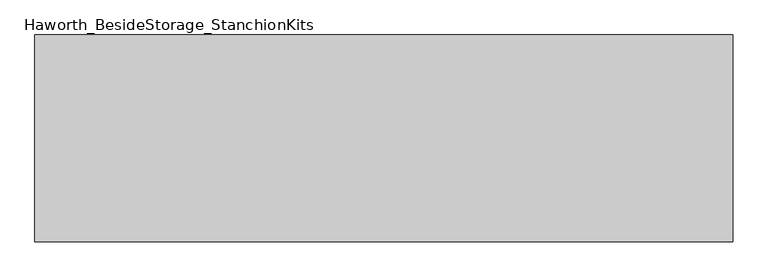
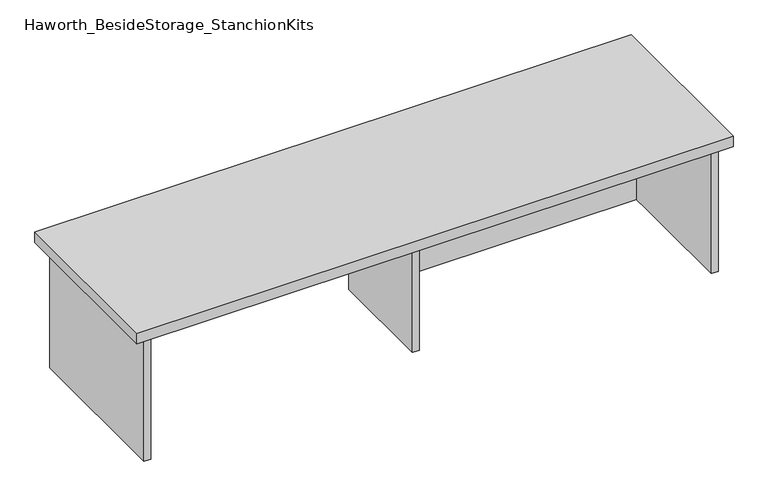
"""IFC4 building model written with IfcOpenShell, lengths in millimetres: furniture geometry, Haworth_BesideStorage_StanchionKits."""

from ifc_helpers import new_model, si_unit, frame, origin, place, context, project, spatial, polyline, outline, extrude, source, transform, mapped, element, save


def haworth_besidestorage_stanchionkits_dbb32cba(model_context):
    return source(origin(), model_context, "Body", "SweptSolid", [
        extrude(outline(polyline([(847.725, 0.0), (847.725, -406.4), (-523.875, -406.4), (-523.875, 0.0), (847.725, 0.0)])), frame((0.0, 0.0, 736.6), z_axis=(0.0, 0.0, 1.0), x_axis=(1.0, 0.0, 0.0)), (0.0, 0.0, 1.0), 25.4),
        extrude(outline(polyline([(169.8625, -76.2), (806.45, -76.2), (806.45, -92.075), (169.8625, -92.075), (169.8625, -76.2)])), frame((0.0, 0.0, 431.8), z_axis=(0.0, 0.0, 1.0), x_axis=(1.0, 0.0, 0.0)), (0.0, 0.0, 1.0), 304.8),
        extrude(outline(polyline([(169.8625, -330.2), (153.9875, -330.2), (153.9875, -76.2), (169.8625, -76.2), (169.8625, -330.2)])), frame((0.0, 0.0, 431.8), z_axis=(0.0, 0.0, 1.0), x_axis=(1.0, 0.0, 0.0)), (0.0, 0.0, 1.0), 304.8),
        extrude(outline(polyline([(822.325, -390.525), (806.45, -390.525), (806.45, -15.875), (822.325, -15.875), (822.325, -390.525)])), frame((0.0, 0.0, 431.8), z_axis=(0.0, 0.0, 1.0), x_axis=(1.0, 0.0, 0.0)), (0.0, 0.0, 1.0), 304.8),
        extrude(outline(polyline([(-482.6, -390.525), (-498.475, -390.525), (-498.475, -15.875), (-482.6, -15.875), (-482.6, -390.525)])), frame((0.0, 0.0, 431.8), z_axis=(0.0, 0.0, 1.0), x_axis=(1.0, 0.0, 0.0)), (0.0, 0.0, 1.0), 304.8),
    ])


if __name__ == "__main__":
    model = new_model("IFC4")
    model_context = context("Model", 3, world=origin())
    ifc_project = project(units=[si_unit("LENGTHUNIT", "METRE", prefix="MILLI")], contexts=[model_context])
    site = spatial("IfcSite", under=ifc_project)
    building = spatial("IfcBuilding", under=site)
    placement = place(None, origin())
    haworth_besidestorage_stanchionkits_shape = haworth_besidestorage_stanchionkits_dbb32cba(model_context)
    element("IfcFurniture", 1, ObjectType="Haworth_BesideStorage_StanchionKits", at=placement, inside=building, context=model_context, shape_type="MappedRepresentation", body=[
        mapped(haworth_besidestorage_stanchionkits_shape, transform((0.0, 0.0, 0.0), x_axis=(1.0, 0.0, 0.0), y_axis=(0.0, 1.0, 0.0), z_axis=(0.0, 0.0, 1.0))),
    ])
    save(model, "model.ifc")
